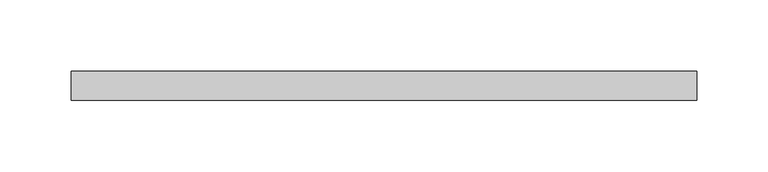
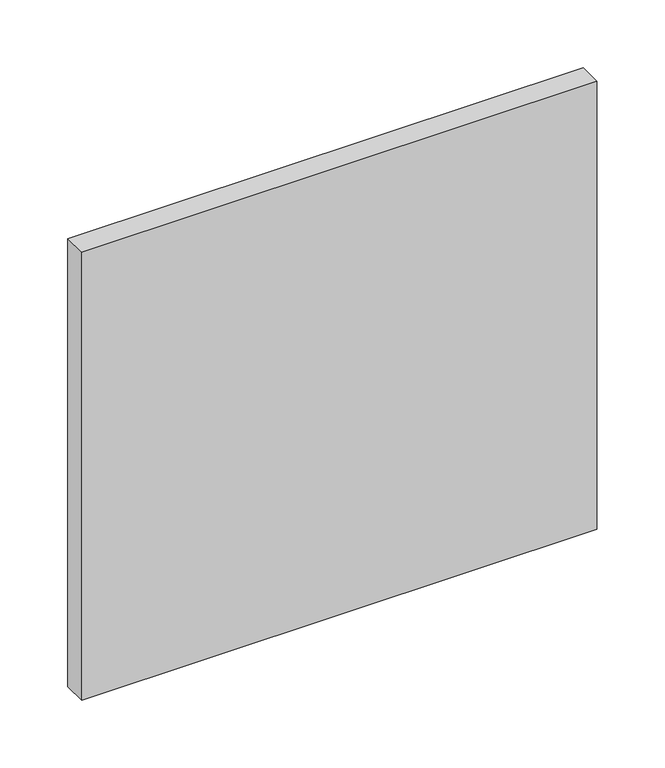
"""IFC4 building model written with IfcOpenShell, lengths in millimetres: plate geometry."""

from ifc_helpers import new_model, si_unit, origin, origin_with_axes, place, context, project, spatial, polyline, outline, extrude, source, transform, mapped, element, save


def plate_e9326159(model_context):
    return source(origin(), model_context, "Body", "SweptSolid", [
        extrude(outline(polyline([(218.75, -90.0), (-218.75, -90.0), (-218.75, -70.0), (218.75, -70.0), (218.75, -90.0)])), origin_with_axes(), (0.0, 0.0, 1.0), 402.3076923),
    ])


if __name__ == "__main__":
    model = new_model("IFC4")
    model_context = context("Model", 3, world=origin())
    ifc_project = project(units=[si_unit("LENGTHUNIT", "METRE", prefix="MILLI")], contexts=[model_context])
    site = spatial("IfcSite", under=ifc_project)
    building = spatial("IfcBuilding", under=site)
    placement = place(None, origin())
    plate_shape = plate_e9326159(model_context)
    element("IfcPlate", 1, at=placement, inside=building, context=model_context, shape_type="MappedRepresentation", body=[
        mapped(plate_shape, transform((0.0, 0.0, 0.0), x_axis=(1.0, 0.0, 0.0), y_axis=(0.0, 1.0, 0.0), z_axis=(0.0, 0.0, 1.0))),
    ])
    save(model, "model.ifc")
